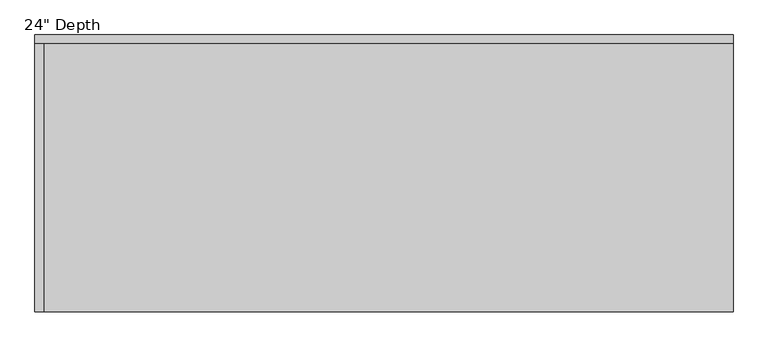
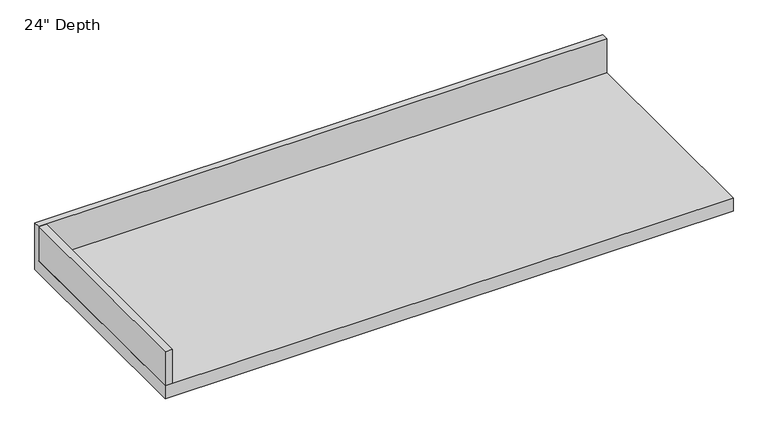
"""IFC4 building model written with IfcOpenShell, lengths in millimetres: furniture geometry."""

import ifcopenshell
import ifcopenshell.guid

model = None  # the IFC model being written
_history = None  # IfcOwnerHistory: only IFC2X3 demands one
_inside = {}  # id of a spatial element -> (the spatial element, [elements in it])
_under = {}  # id of a project, library or spatial element -> (it, [spatial elements below it])
_declared = {}  # id of a project -> (the project, [libraries it declares])
_typed = {}  # id of a type object -> (the type object, [elements of that type])
_made_of = {}  # id of a material, layer set ... -> (it, [elements and type objects made of it])


def new_model(schema):
    """Start an empty IFC model of exactly this schema.

    Asked for "IFC4X3", IfcOpenShell would pick the latest addendum, in which some entities
    have other attributes; the version numbers below select the first issue.
    IFC2X3 requires an IfcOwnerHistory on every rooted entity: one is made here for all.
    """
    global model, _history
    if schema == "IFC4X3":
        model = ifcopenshell.file(schema_version=(4, 3, 0, 0))
    else:
        model = ifcopenshell.file(schema=schema)
    _inside.clear()
    _under.clear()
    _declared.clear()
    _typed.clear()
    _made_of.clear()
    _history = None
    if model.schema == "IFC2X3":
        org = make("IfcOrganization", Name="unknown")
        user = make(
            "IfcPersonAndOrganization",
            ThePerson=make("IfcPerson", FamilyName="unknown"),
            TheOrganization=org,
        )
        app = make(
            "IfcApplication",
            ApplicationDeveloper=org,
            Version="unknown",
            ApplicationFullName="unknown",
            ApplicationIdentifier="unknown",
        )
        _history = make(
            "IfcOwnerHistory",
            OwningUser=user,
            OwningApplication=app,
            ChangeAction="ADDED",
            CreationDate=0,
        )
    return model


def make(cls, **values):
    """One entity of the class cls with the attributes given. An attribute that is None is left unset."""
    return model.create_entity(
        cls, **{name: value for name, value in values.items() if value is not None}
    )


def rooted(cls, **values):
    """An entity with a GlobalId (a new one), such as an element, a storey or a relation."""
    return make(cls, GlobalId=ifcopenshell.guid.new(), OwnerHistory=_history, **values)


def si_unit(unit_type, name, prefix=None):
    """IfcSIUnit, for example si_unit("LENGTHUNIT", "METRE", prefix="MILLI")."""
    return make("IfcSIUnit", UnitType=unit_type, Prefix=prefix, Name=name)


def assignment(units):
    """IfcUnitAssignment: the units of a project."""
    return None if units is None else make("IfcUnitAssignment", Units=units)


def point(xyz):
    """IfcCartesianPoint."""
    return None if xyz is None else make("IfcCartesianPoint", Coordinates=xyz)


def direction(xyz):
    """IfcDirection."""
    return None if xyz is None else make("IfcDirection", DirectionRatios=xyz)


def frame(location, z_axis=None, x_axis=None):
    """IfcAxis2Placement3D, a coordinate frame: its origin and axes. An axis left out is left unset."""
    return make(
        "IfcAxis2Placement3D",
        Location=point(location),
        Axis=direction(z_axis),
        RefDirection=direction(x_axis),
    )


def origin():
    """The frame at (0, 0, 0) with its axes left unset."""
    return frame((0.0, 0.0, 0.0))


def place(relative_to, where):
    """IfcLocalPlacement: puts the frame where relative to a parent placement (None: the world)."""
    return make(
        "IfcLocalPlacement", PlacementRelTo=relative_to, RelativePlacement=where
    )


def context(
    kind, dimensions, precision=None, world=None, true_north=None, identifier=None
):
    """IfcGeometricRepresentationContext, for example the 3D "Model" context."""
    return make(
        "IfcGeometricRepresentationContext",
        ContextIdentifier=identifier,
        ContextType=kind,
        CoordinateSpaceDimension=dimensions,
        Precision=precision,
        WorldCoordinateSystem=world,
        TrueNorth=true_north,
    )


def project(units=None, contexts=None):
    """IfcProject with its units and contexts."""
    return rooted(
        "IfcProject",
        Name="project",
        RepresentationContexts=contexts,
        UnitsInContext=assignment(units),
    )


def spatial(cls, under=None, at=None, **own):
    """A site, building, storey or space (cls), placed at a placement, below another one or the project."""
    s = rooted(cls, ObjectPlacement=at, **own)
    if under is not None:
        _under.setdefault(under.id(), (under, []))[1].append(s)
    return s


def polyline(points):
    """IfcPolyline through the points."""
    return make("IfcPolyline", Points=[point(p) for p in points])


def outline(outer, holes=None, kind="AREA"):
    """IfcArbitraryClosedProfileDef: a profile drawn as a closed curve; with holes, ...WithVoids."""
    if holes is None:
        return make("IfcArbitraryClosedProfileDef", ProfileType=kind, OuterCurve=outer)
    return make(
        "IfcArbitraryProfileDefWithVoids",
        ProfileType=kind,
        OuterCurve=outer,
        InnerCurves=holes,
    )


def extrude(swept, where, along, depth):
    """IfcExtrudedAreaSolid: the profile swept, set in the frame where, extruded along a direction by depth."""
    return make(
        "IfcExtrudedAreaSolid",
        SweptArea=swept,
        Position=where,
        ExtrudedDirection=direction(along),
        Depth=depth,
    )


def shape(context_of_items, identifier, shape_type, items):
    """IfcShapeRepresentation: the items that make up one representation, for example the "Body"."""
    return make(
        "IfcShapeRepresentation",
        ContextOfItems=context_of_items,
        RepresentationIdentifier=identifier,
        RepresentationType=shape_type,
        Items=items,
    )


def source(mapping_origin, context_of_items, identifier, shape_type, items):
    """IfcRepresentationMap: a shape defined once, which mapped items show again and again."""
    return make(
        "IfcRepresentationMap",
        MappingOrigin=mapping_origin,
        MappedRepresentation=shape(context_of_items, identifier, shape_type, items),
    )


def transform(
    local_origin,
    x_axis=None,
    y_axis=None,
    z_axis=None,
    scale=None,
    scale2=None,
    scale3=None,
    uniform=True,
):
    """IfcCartesianTransformationOperator3D, or its non-uniform kind. x_axis, y_axis, z_axis: its Axis1, 2, 3."""
    if uniform:
        return make(
            "IfcCartesianTransformationOperator3D",
            Axis1=direction(x_axis),
            Axis2=direction(y_axis),
            LocalOrigin=point(local_origin),
            Scale=scale,
            Axis3=direction(z_axis),
        )
    return make(
        "IfcCartesianTransformationOperator3DnonUniform",
        Axis1=direction(x_axis),
        Axis2=direction(y_axis),
        LocalOrigin=point(local_origin),
        Scale=scale,
        Axis3=direction(z_axis),
        Scale2=scale2,
        Scale3=scale3,
    )


def mapped(mapping_source, mapping_target):
    """IfcMappedItem: shows the shape of a source again, moved by a transform."""
    return make(
        "IfcMappedItem", MappingSource=mapping_source, MappingTarget=mapping_target
    )


def made_of(thing, what):
    """Note that an element or type object is made of a material, layer set ...; save() writes the relation."""
    if what is not None:
        _made_of.setdefault(what.id(), (what, []))[1].append(thing)
    return thing


def element(
    cls,
    number,
    at=None,
    inside=None,
    cuts=None,
    type_object=None,
    material=None,
    context=None,
    identifier="Body",
    shape_type=None,
    held_by="IfcProductDefinitionShape",
    body=None,
    shapes=None,
    **own,
):
    """One element of the class cls, such as IfcWall. Its Tag is "e" and its number.

    at: its placement. inside: the storey or other place that contains it. cuts: it is an
    opening in that element (IfcRelVoidsElement). A single representation is given by context,
    identifier, shape_type and body (its items); several are given by shapes. held_by: the class
    of the entity that holds the representations. save() writes the other relations.
    """
    e = rooted(cls, Tag="e%d" % number, ObjectPlacement=at, **own)
    if body is not None:
        shapes = [shape(context, identifier, shape_type, body)]
    if shapes is not None:
        e.Representation = make(held_by, Representations=shapes)
    if inside is not None:
        _inside.setdefault(inside.id(), (inside, []))[1].append(e)
    if cuts is not None:
        rooted(
            "IfcRelVoidsElement", RelatingBuildingElement=cuts, RelatedOpeningElement=e
        )
    if type_object is not None:
        _typed.setdefault(type_object.id(), (type_object, []))[1].append(e)
    return made_of(e, material)


def aggregate(whole, parts):
    """IfcRelAggregates: a whole, such as a stair, and the parts it consists of."""
    return rooted("IfcRelAggregates", RelatingObject=whole, RelatedObjects=parts)


def save(model, path):
    """Write the relations noted so far, then the file.

    IfcRelAggregates (storeys below a building ...), IfcRelContainedInSpatialStructure (elements
    in a storey), IfcRelDefinesByType, IfcRelAssociatesMaterial and IfcRelDeclares: one each for
    every whole, place, type object, material and project.
    """
    for whole, parts in _under.values():
        aggregate(whole, parts)
    for where, things in _inside.values():
        rooted(
            "IfcRelContainedInSpatialStructure",
            RelatedElements=things,
            RelatingStructure=where,
        )
    for kind, things in _typed.values():
        rooted("IfcRelDefinesByType", RelatedObjects=things, RelatingType=kind)
    for what, things in _made_of.values():
        rooted("IfcRelAssociatesMaterial", RelatedObjects=things, RelatingMaterial=what)
    for by, libraries in _declared.values():
        rooted("IfcRelDeclares", RelatingContext=by, RelatedDefinitions=libraries)
    model.write(path)


def furniture_31708d10(model_context):
    return source(origin(), model_context, "Body", "SweptSolid", [
        extrude(outline(polyline([(0.0, 1016.0), (0.0, 876.3), (-635.0, 876.3), (-635.0, 914.4), (-19.05, 914.4), (-19.05, 1016.0), (0.0, 1016.0)])), frame((-1225.8622951, 0.0, 0.0), z_axis=(1.0, 0.0, 0.0), x_axis=(0.0, 1.0, 0.0)), (0.0, 0.0, 1.0), 1600.2),
        extrude(outline(polyline([(-1205.2177952, -635.0), (-1225.8622951, -635.0), (-1225.8622951, -19.05), (-1205.2177952, -19.05), (-1205.2177952, -635.0)])), frame((0.0, 0.0, 914.4), z_axis=(0.0, 0.0, 1.0), x_axis=(1.0, 0.0, 0.0)), (0.0, 0.0, 1.0), 101.6),
    ])


if __name__ == "__main__":
    model = new_model("IFC4")
    model_context = context("Model", 3, world=origin())
    ifc_project = project(units=[si_unit("LENGTHUNIT", "METRE", prefix="MILLI")], contexts=[model_context])
    site = spatial("IfcSite", under=ifc_project)
    building = spatial("IfcBuilding", under=site)
    placement = place(None, origin())
    furniture_shape = furniture_31708d10(model_context)
    element("IfcFurniture", 1, ObjectType="24\" Depth", at=placement, inside=building, context=model_context, shape_type="MappedRepresentation", body=[
        mapped(furniture_shape, transform((0.0, 0.0, 0.0), x_axis=(1.0, 0.0, 0.0), y_axis=(0.0, 1.0, 0.0), z_axis=(0.0, 0.0, 1.0))),
    ])
    save(model, "model.ifc")
